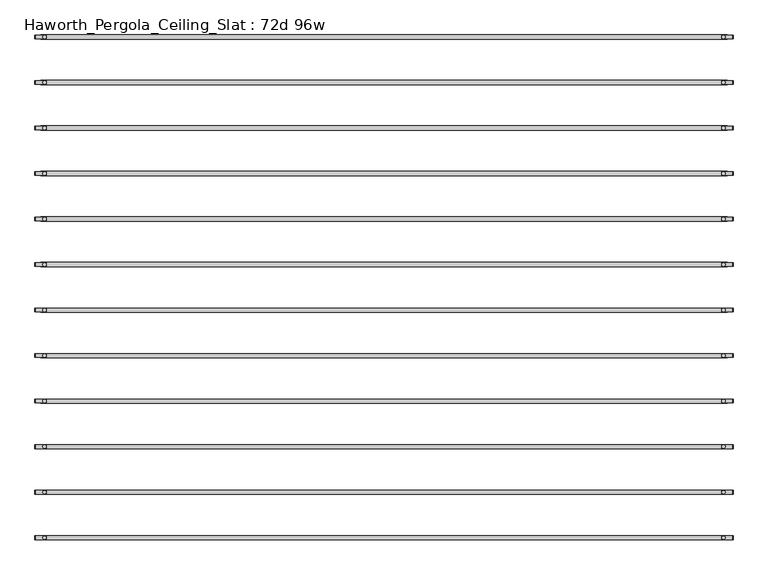
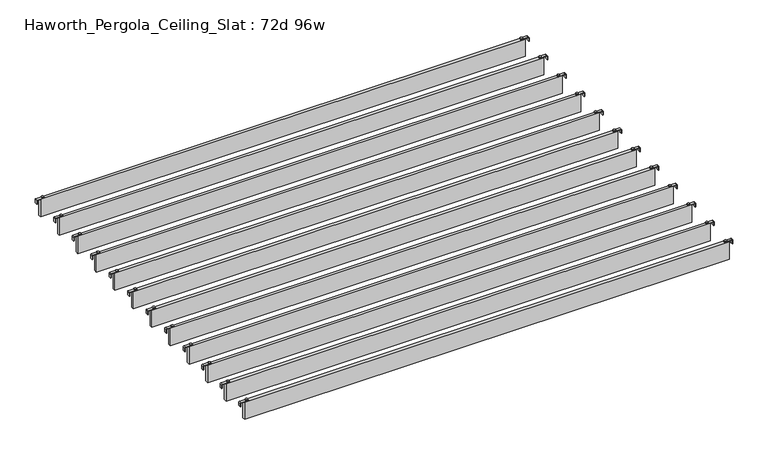
"""IFC4 building model written with IfcOpenShell, lengths in millimetres: furniture geometry, Haworth_Pergola_Ceiling_Slat : 72d 96w."""

from ifc_helpers import new_model, si_unit, point, frame, frame_2d, origin, place, context, project, spatial, polyline, circle_curve, trimmed, segment, composite_curve, outline, extrude, source, transform, mapped, element, save


def haworth_pergola_ceiling_slat_72d_96w_dfd35486(model_context):
    return source(origin(), model_context, "Body", "SweptSolid", [
        extrude(outline(composite_curve([segment(trimmed(circle_curve(frame_2d((1243.6, -611.3433636)), 5.9838099), [point((1237.6161901, -611.3433636))], [point((1249.5838099, -611.3433636))], False, "CARTESIAN"), True, "CONTINUOUS"), segment(trimmed(circle_curve(frame_2d((1243.6, -611.3433636)), 5.9838099), [point((1249.5838099, -611.3433636))], [point((1237.6161901, -611.3433636))], False, "CARTESIAN"), True, "CONTINUOUS")], self_intersect=False)), frame((0.0, 0.0, 2440.9329992), z_axis=(0.0, 0.0, 1.0), x_axis=(1.0, 0.0, 0.0)), (0.0, 0.0, 1.0), 3.4400008),
        extrude(outline(composite_curve([segment(trimmed(circle_curve(frame_2d((-1167.4, -611.3433636)), 5.9838099), [point((-1161.4161901, -611.3433636))], [point((-1173.3838099, -611.3433636))], False, "CARTESIAN"), True, "CONTINUOUS"), segment(trimmed(circle_curve(frame_2d((-1167.4, -611.3433636)), 5.9838099), [point((-1173.3838099, -611.3433636))], [point((-1161.4161901, -611.3433636))], False, "CARTESIAN"), True, "CONTINUOUS")], self_intersect=False)), frame((0.0, 0.0, 2440.9329992), z_axis=(0.0, 0.0, 1.0), x_axis=(1.0, 0.0, 0.0)), (0.0, 0.0, 1.0), 3.4400008),
        extrude(outline(composite_curve([segment(polyline([(2419.2231711, 1277.76), (2437.2499992, 1277.76)]), True, "CONTINUOUS"), segment(trimmed(circle_curve(frame_2d((2437.2499992, 1274.077)), 3.683), [point((2437.2499992, 1277.76))], [point((2440.9329992, 1274.077))], False, "CARTESIAN"), True, "CONTINUOUS"), segment(polyline([(2440.9329992, 1274.077), (2440.9329992, 1237.1), (2438.2729997, 1237.1), (2438.2729997, 1274.0905568)]), True, "CONTINUOUS"), segment(trimmed(circle_curve(frame_2d((2437.2635571, 1274.0905568)), 1.0094425), [point((2438.2729997, 1274.0905568))], [point((2437.2635571, 1275.0999993))], True, "CARTESIAN"), True, "CONTINUOUS"), segment(polyline([(2437.2635571, 1275.0999993), (2419.2231711, 1275.0999993), (2419.2231711, 1277.76)]), True, "CONTINUOUS")], self_intersect=False)), frame((0.0, -617.836364, 0.0), z_axis=(0.0, 1.0, 0.0), x_axis=(0.0, 0.0, 1.0)), (0.0, 0.0, 1.0), 13.0),
        extrude(outline(composite_curve([segment(polyline([(2419.2231711, -1201.56), (2419.2231711, -1198.8999993), (2437.2635571, -1198.8999993)]), True, "CONTINUOUS"), segment(trimmed(circle_curve(frame_2d((2437.2635571, -1197.8905568)), 1.0094425), [point((2437.2635571, -1198.8999993))], [point((2438.2729997, -1197.8905568))], True, "CARTESIAN"), True, "CONTINUOUS"), segment(polyline([(2438.2729997, -1197.8905568), (2438.2729997, -1160.9), (2440.9329992, -1160.9), (2440.9329992, -1197.877)]), True, "CONTINUOUS"), segment(trimmed(circle_curve(frame_2d((2437.2499992, -1197.877)), 3.683), [point((2440.9329992, -1197.877))], [point((2437.2499992, -1201.56))], False, "CARTESIAN"), True, "CONTINUOUS"), segment(polyline([(2437.2499992, -1201.56), (2419.2231711, -1201.56)]), True, "CONTINUOUS")], self_intersect=False)), frame((0.0, -617.836364, 0.0), z_axis=(0.0, 1.0, 0.0), x_axis=(0.0, 0.0, 1.0)), (0.0, 0.0, 1.0), 13.0),
        extrude(outline(polyline([(-1181.1, -618.8363636), (-1181.1, -603.8503636), (1257.3, -603.8503636), (1257.3, -618.8363636), (-1181.1, -618.8363636)])), frame((0.0, 0.0, 2346.198), z_axis=(0.0, 0.0, 1.0), x_axis=(1.0, 0.0, 0.0)), (0.0, 0.0, 1.0), 92.202),
        extrude(outline(composite_curve([segment(trimmed(circle_curve(frame_2d((1243.6, -772.9797273)), 5.9838099), [point((1237.6161901, -772.9797273))], [point((1249.5838099, -772.9797273))], False, "CARTESIAN"), True, "CONTINUOUS"), segment(trimmed(circle_curve(frame_2d((1243.6, -772.9797273)), 5.9838099), [point((1249.5838099, -772.9797273))], [point((1237.6161901, -772.9797273))], False, "CARTESIAN"), True, "CONTINUOUS")], self_intersect=False)), frame((0.0, 0.0, 2440.9329992), z_axis=(0.0, 0.0, 1.0), x_axis=(1.0, 0.0, 0.0)), (0.0, 0.0, 1.0), 3.4400008),
        extrude(outline(composite_curve([segment(trimmed(circle_curve(frame_2d((-1167.4, -772.9797273)), 5.9838099), [point((-1161.4161901, -772.9797273))], [point((-1173.3838099, -772.9797273))], False, "CARTESIAN"), True, "CONTINUOUS"), segment(trimmed(circle_curve(frame_2d((-1167.4, -772.9797273)), 5.9838099), [point((-1173.3838099, -772.9797273))], [point((-1161.4161901, -772.9797273))], False, "CARTESIAN"), True, "CONTINUOUS")], self_intersect=False)), frame((0.0, 0.0, 2440.9329992), z_axis=(0.0, 0.0, 1.0), x_axis=(1.0, 0.0, 0.0)), (0.0, 0.0, 1.0), 3.4400008),
        extrude(outline(composite_curve([segment(polyline([(2419.2231711, 1277.76), (2437.2499992, 1277.76)]), True, "CONTINUOUS"), segment(trimmed(circle_curve(frame_2d((2437.2499992, 1274.077)), 3.683), [point((2437.2499992, 1277.76))], [point((2440.9329992, 1274.077))], False, "CARTESIAN"), True, "CONTINUOUS"), segment(polyline([(2440.9329992, 1274.077), (2440.9329992, 1237.1), (2438.2729997, 1237.1), (2438.2729997, 1274.0905568)]), True, "CONTINUOUS"), segment(trimmed(circle_curve(frame_2d((2437.2635571, 1274.0905568)), 1.0094425), [point((2438.2729997, 1274.0905568))], [point((2437.2635571, 1275.0999993))], True, "CARTESIAN"), True, "CONTINUOUS"), segment(polyline([(2437.2635571, 1275.0999993), (2419.2231711, 1275.0999993), (2419.2231711, 1277.76)]), True, "CONTINUOUS")], self_intersect=False)), frame((0.0, -779.4727276, 0.0), z_axis=(0.0, 1.0, 0.0), x_axis=(0.0, 0.0, 1.0)), (0.0, 0.0, 1.0), 13.0),
        extrude(outline(composite_curve([segment(polyline([(2419.2231711, -1201.56), (2419.2231711, -1198.8999993), (2437.2635571, -1198.8999993)]), True, "CONTINUOUS"), segment(trimmed(circle_curve(frame_2d((2437.2635571, -1197.8905568)), 1.0094425), [point((2437.2635571, -1198.8999993))], [point((2438.2729997, -1197.8905568))], True, "CARTESIAN"), True, "CONTINUOUS"), segment(polyline([(2438.2729997, -1197.8905568), (2438.2729997, -1160.9), (2440.9329992, -1160.9), (2440.9329992, -1197.877)]), True, "CONTINUOUS"), segment(trimmed(circle_curve(frame_2d((2437.2499992, -1197.877)), 3.683), [point((2440.9329992, -1197.877))], [point((2437.2499992, -1201.56))], False, "CARTESIAN"), True, "CONTINUOUS"), segment(polyline([(2437.2499992, -1201.56), (2419.2231711, -1201.56)]), True, "CONTINUOUS")], self_intersect=False)), frame((0.0, -779.4727276, 0.0), z_axis=(0.0, 1.0, 0.0), x_axis=(0.0, 0.0, 1.0)), (0.0, 0.0, 1.0), 13.0),
        extrude(outline(polyline([(-1181.1, -780.4727273), (-1181.1, -765.4867273), (1257.3, -765.4867273), (1257.3, -780.4727273), (-1181.1, -780.4727273)])), frame((0.0, 0.0, 2346.198), z_axis=(0.0, 0.0, 1.0), x_axis=(1.0, 0.0, 0.0)), (0.0, 0.0, 1.0), 92.202),
        extrude(outline(composite_curve([segment(trimmed(circle_curve(frame_2d((1243.6, -934.6160909)), 5.9838099), [point((1237.6161901, -934.6160909))], [point((1249.5838099, -934.6160909))], False, "CARTESIAN"), True, "CONTINUOUS"), segment(trimmed(circle_curve(frame_2d((1243.6, -934.6160909)), 5.9838099), [point((1249.5838099, -934.6160909))], [point((1237.6161901, -934.6160909))], False, "CARTESIAN"), True, "CONTINUOUS")], self_intersect=False)), frame((0.0, 0.0, 2440.9329992), z_axis=(0.0, 0.0, 1.0), x_axis=(1.0, 0.0, 0.0)), (0.0, 0.0, 1.0), 3.4400008),
        extrude(outline(composite_curve([segment(trimmed(circle_curve(frame_2d((-1167.4, -934.6160909)), 5.9838099), [point((-1161.4161901, -934.6160909))], [point((-1173.3838099, -934.6160909))], False, "CARTESIAN"), True, "CONTINUOUS"), segment(trimmed(circle_curve(frame_2d((-1167.4, -934.6160909)), 5.9838099), [point((-1173.3838099, -934.6160909))], [point((-1161.4161901, -934.6160909))], False, "CARTESIAN"), True, "CONTINUOUS")], self_intersect=False)), frame((0.0, 0.0, 2440.9329992), z_axis=(0.0, 0.0, 1.0), x_axis=(1.0, 0.0, 0.0)), (0.0, 0.0, 1.0), 3.4400008),
        extrude(outline(composite_curve([segment(polyline([(2419.2231711, 1277.76), (2437.2499992, 1277.76)]), True, "CONTINUOUS"), segment(trimmed(circle_curve(frame_2d((2437.2499992, 1274.077)), 3.683), [point((2437.2499992, 1277.76))], [point((2440.9329992, 1274.077))], False, "CARTESIAN"), True, "CONTINUOUS"), segment(polyline([(2440.9329992, 1274.077), (2440.9329992, 1237.1), (2438.2729997, 1237.1), (2438.2729997, 1274.0905568)]), True, "CONTINUOUS"), segment(trimmed(circle_curve(frame_2d((2437.2635571, 1274.0905568)), 1.0094425), [point((2438.2729997, 1274.0905568))], [point((2437.2635571, 1275.0999993))], True, "CARTESIAN"), True, "CONTINUOUS"), segment(polyline([(2437.2635571, 1275.0999993), (2419.2231711, 1275.0999993), (2419.2231711, 1277.76)]), True, "CONTINUOUS")], self_intersect=False)), frame((0.0, -941.1090912, 0.0), z_axis=(0.0, 1.0, 0.0), x_axis=(0.0, 0.0, 1.0)), (0.0, 0.0, 1.0), 13.0),
        extrude(outline(composite_curve([segment(polyline([(2419.2231711, -1201.56), (2419.2231711, -1198.8999993), (2437.2635571, -1198.8999993)]), True, "CONTINUOUS"), segment(trimmed(circle_curve(frame_2d((2437.2635571, -1197.8905568)), 1.0094425), [point((2437.2635571, -1198.8999993))], [point((2438.2729997, -1197.8905568))], True, "CARTESIAN"), True, "CONTINUOUS"), segment(polyline([(2438.2729997, -1197.8905568), (2438.2729997, -1160.9), (2440.9329992, -1160.9), (2440.9329992, -1197.877)]), True, "CONTINUOUS"), segment(trimmed(circle_curve(frame_2d((2437.2499992, -1197.877)), 3.683), [point((2440.9329992, -1197.877))], [point((2437.2499992, -1201.56))], False, "CARTESIAN"), True, "CONTINUOUS"), segment(polyline([(2437.2499992, -1201.56), (2419.2231711, -1201.56)]), True, "CONTINUOUS")], self_intersect=False)), frame((0.0, -941.1090912, 0.0), z_axis=(0.0, 1.0, 0.0), x_axis=(0.0, 0.0, 1.0)), (0.0, 0.0, 1.0), 13.0),
        extrude(outline(polyline([(-1181.1, -942.1090909), (-1181.1, -927.1230909), (1257.3, -927.1230909), (1257.3, -942.1090909), (-1181.1, -942.1090909)])), frame((0.0, 0.0, 2346.198), z_axis=(0.0, 0.0, 1.0), x_axis=(1.0, 0.0, 0.0)), (0.0, 0.0, 1.0), 92.202),
        extrude(outline(composite_curve([segment(trimmed(circle_curve(frame_2d((1243.6, -1096.2524545)), 5.9838099), [point((1237.6161901, -1096.2524545))], [point((1249.5838099, -1096.2524545))], False, "CARTESIAN"), True, "CONTINUOUS"), segment(trimmed(circle_curve(frame_2d((1243.6, -1096.2524545)), 5.9838099), [point((1249.5838099, -1096.2524545))], [point((1237.6161901, -1096.2524545))], False, "CARTESIAN"), True, "CONTINUOUS")], self_intersect=False)), frame((0.0, 0.0, 2440.9329992), z_axis=(0.0, 0.0, 1.0), x_axis=(1.0, 0.0, 0.0)), (0.0, 0.0, 1.0), 3.4400008),
        extrude(outline(composite_curve([segment(trimmed(circle_curve(frame_2d((-1167.4, -1096.2524545)), 5.9838099), [point((-1161.4161901, -1096.2524545))], [point((-1173.3838099, -1096.2524545))], False, "CARTESIAN"), True, "CONTINUOUS"), segment(trimmed(circle_curve(frame_2d((-1167.4, -1096.2524545)), 5.9838099), [point((-1173.3838099, -1096.2524545))], [point((-1161.4161901, -1096.2524545))], False, "CARTESIAN"), True, "CONTINUOUS")], self_intersect=False)), frame((0.0, 0.0, 2440.9329992), z_axis=(0.0, 0.0, 1.0), x_axis=(1.0, 0.0, 0.0)), (0.0, 0.0, 1.0), 3.4400008),
        extrude(outline(composite_curve([segment(polyline([(2419.2231711, 1277.76), (2437.2499992, 1277.76)]), True, "CONTINUOUS"), segment(trimmed(circle_curve(frame_2d((2437.2499992, 1274.077)), 3.683), [point((2437.2499992, 1277.76))], [point((2440.9329992, 1274.077))], False, "CARTESIAN"), True, "CONTINUOUS"), segment(polyline([(2440.9329992, 1274.077), (2440.9329992, 1237.1), (2438.2729997, 1237.1), (2438.2729997, 1274.0905568)]), True, "CONTINUOUS"), segment(trimmed(circle_curve(frame_2d((2437.2635571, 1274.0905568)), 1.0094425), [point((2438.2729997, 1274.0905568))], [point((2437.2635571, 1275.0999993))], True, "CARTESIAN"), True, "CONTINUOUS"), segment(polyline([(2437.2635571, 1275.0999993), (2419.2231711, 1275.0999993), (2419.2231711, 1277.76)]), True, "CONTINUOUS")], self_intersect=False)), frame((0.0, -1102.7454549, 0.0), z_axis=(0.0, 1.0, 0.0), x_axis=(0.0, 0.0, 1.0)), (0.0, 0.0, 1.0), 13.0),
        extrude(outline(composite_curve([segment(polyline([(2419.2231711, -1201.56), (2419.2231711, -1198.8999993), (2437.2635571, -1198.8999993)]), True, "CONTINUOUS"), segment(trimmed(circle_curve(frame_2d((2437.2635571, -1197.8905568)), 1.0094425), [point((2437.2635571, -1198.8999993))], [point((2438.2729997, -1197.8905568))], True, "CARTESIAN"), True, "CONTINUOUS"), segment(polyline([(2438.2729997, -1197.8905568), (2438.2729997, -1160.9), (2440.9329992, -1160.9), (2440.9329992, -1197.877)]), True, "CONTINUOUS"), segment(trimmed(circle_curve(frame_2d((2437.2499992, -1197.877)), 3.683), [point((2440.9329992, -1197.877))], [point((2437.2499992, -1201.56))], False, "CARTESIAN"), True, "CONTINUOUS"), segment(polyline([(2437.2499992, -1201.56), (2419.2231711, -1201.56)]), True, "CONTINUOUS")], self_intersect=False)), frame((0.0, -1102.7454549, 0.0), z_axis=(0.0, 1.0, 0.0), x_axis=(0.0, 0.0, 1.0)), (0.0, 0.0, 1.0), 13.0),
        extrude(outline(polyline([(-1181.1, -1103.7454545), (-1181.1, -1088.7594545), (1257.3, -1088.7594545), (1257.3, -1103.7454545), (-1181.1, -1103.7454545)])), frame((0.0, 0.0, 2346.198), z_axis=(0.0, 0.0, 1.0), x_axis=(1.0, 0.0, 0.0)), (0.0, 0.0, 1.0), 92.202),
        extrude(outline(composite_curve([segment(trimmed(circle_curve(frame_2d((1243.6, -1257.8888182)), 5.9838099), [point((1237.6161901, -1257.8888182))], [point((1249.5838099, -1257.8888182))], False, "CARTESIAN"), True, "CONTINUOUS"), segment(trimmed(circle_curve(frame_2d((1243.6, -1257.8888182)), 5.9838099), [point((1249.5838099, -1257.8888182))], [point((1237.6161901, -1257.8888182))], False, "CARTESIAN"), True, "CONTINUOUS")], self_intersect=False)), frame((0.0, 0.0, 2440.9329992), z_axis=(0.0, 0.0, 1.0), x_axis=(1.0, 0.0, 0.0)), (0.0, 0.0, 1.0), 3.4400008),
        extrude(outline(composite_curve([segment(trimmed(circle_curve(frame_2d((-1167.4, -1257.8888182)), 5.9838099), [point((-1161.4161901, -1257.8888182))], [point((-1173.3838099, -1257.8888182))], False, "CARTESIAN"), True, "CONTINUOUS"), segment(trimmed(circle_curve(frame_2d((-1167.4, -1257.8888182)), 5.9838099), [point((-1173.3838099, -1257.8888182))], [point((-1161.4161901, -1257.8888182))], False, "CARTESIAN"), True, "CONTINUOUS")], self_intersect=False)), frame((0.0, 0.0, 2440.9329992), z_axis=(0.0, 0.0, 1.0), x_axis=(1.0, 0.0, 0.0)), (0.0, 0.0, 1.0), 3.4400008),
        extrude(outline(composite_curve([segment(polyline([(2419.2231711, 1277.76), (2437.2499992, 1277.76)]), True, "CONTINUOUS"), segment(trimmed(circle_curve(frame_2d((2437.2499992, 1274.077)), 3.683), [point((2437.2499992, 1277.76))], [point((2440.9329992, 1274.077))], False, "CARTESIAN"), True, "CONTINUOUS"), segment(polyline([(2440.9329992, 1274.077), (2440.9329992, 1237.1), (2438.2729997, 1237.1), (2438.2729997, 1274.0905568)]), True, "CONTINUOUS"), segment(trimmed(circle_curve(frame_2d((2437.2635571, 1274.0905568)), 1.0094425), [point((2438.2729997, 1274.0905568))], [point((2437.2635571, 1275.0999993))], True, "CARTESIAN"), True, "CONTINUOUS"), segment(polyline([(2437.2635571, 1275.0999993), (2419.2231711, 1275.0999993), (2419.2231711, 1277.76)]), True, "CONTINUOUS")], self_intersect=False)), frame((0.0, -1264.3818185, 0.0), z_axis=(0.0, 1.0, 0.0), x_axis=(0.0, 0.0, 1.0)), (0.0, 0.0, 1.0), 13.0),
        extrude(outline(composite_curve([segment(polyline([(2419.2231711, -1201.56), (2419.2231711, -1198.8999993), (2437.2635571, -1198.8999993)]), True, "CONTINUOUS"), segment(trimmed(circle_curve(frame_2d((2437.2635571, -1197.8905568)), 1.0094425), [point((2437.2635571, -1198.8999993))], [point((2438.2729997, -1197.8905568))], True, "CARTESIAN"), True, "CONTINUOUS"), segment(polyline([(2438.2729997, -1197.8905568), (2438.2729997, -1160.9), (2440.9329992, -1160.9), (2440.9329992, -1197.877)]), True, "CONTINUOUS"), segment(trimmed(circle_curve(frame_2d((2437.2499992, -1197.877)), 3.683), [point((2440.9329992, -1197.877))], [point((2437.2499992, -1201.56))], False, "CARTESIAN"), True, "CONTINUOUS"), segment(polyline([(2437.2499992, -1201.56), (2419.2231711, -1201.56)]), True, "CONTINUOUS")], self_intersect=False)), frame((0.0, -1264.3818185, 0.0), z_axis=(0.0, 1.0, 0.0), x_axis=(0.0, 0.0, 1.0)), (0.0, 0.0, 1.0), 13.0),
        extrude(outline(polyline([(-1181.1, -1265.3818182), (-1181.1, -1250.3958182), (1257.3, -1250.3958182), (1257.3, -1265.3818182), (-1181.1, -1265.3818182)])), frame((0.0, 0.0, 2346.198), z_axis=(0.0, 0.0, 1.0), x_axis=(1.0, 0.0, 0.0)), (0.0, 0.0, 1.0), 92.202),
        extrude(outline(composite_curve([segment(trimmed(circle_curve(frame_2d((1243.6, -1419.5251818)), 5.9838099), [point((1237.6161901, -1419.5251818))], [point((1249.5838099, -1419.5251818))], False, "CARTESIAN"), True, "CONTINUOUS"), segment(trimmed(circle_curve(frame_2d((1243.6, -1419.5251818)), 5.9838099), [point((1249.5838099, -1419.5251818))], [point((1237.6161901, -1419.5251818))], False, "CARTESIAN"), True, "CONTINUOUS")], self_intersect=False)), frame((0.0, 0.0, 2440.9329992), z_axis=(0.0, 0.0, 1.0), x_axis=(1.0, 0.0, 0.0)), (0.0, 0.0, 1.0), 3.4400008),
        extrude(outline(composite_curve([segment(trimmed(circle_curve(frame_2d((-1167.4, -1419.5251818)), 5.9838099), [point((-1161.4161901, -1419.5251818))], [point((-1173.3838099, -1419.5251818))], False, "CARTESIAN"), True, "CONTINUOUS"), segment(trimmed(circle_curve(frame_2d((-1167.4, -1419.5251818)), 5.9838099), [point((-1173.3838099, -1419.5251818))], [point((-1161.4161901, -1419.5251818))], False, "CARTESIAN"), True, "CONTINUOUS")], self_intersect=False)), frame((0.0, 0.0, 2440.9329992), z_axis=(0.0, 0.0, 1.0), x_axis=(1.0, 0.0, 0.0)), (0.0, 0.0, 1.0), 3.4400008),
        extrude(outline(composite_curve([segment(polyline([(2419.2231711, 1277.76), (2437.2499992, 1277.76)]), True, "CONTINUOUS"), segment(trimmed(circle_curve(frame_2d((2437.2499992, 1274.077)), 3.683), [point((2437.2499992, 1277.76))], [point((2440.9329992, 1274.077))], False, "CARTESIAN"), True, "CONTINUOUS"), segment(polyline([(2440.9329992, 1274.077), (2440.9329992, 1237.1), (2438.2729997, 1237.1), (2438.2729997, 1274.0905568)]), True, "CONTINUOUS"), segment(trimmed(circle_curve(frame_2d((2437.2635571, 1274.0905568)), 1.0094425), [point((2438.2729997, 1274.0905568))], [point((2437.2635571, 1275.0999993))], True, "CARTESIAN"), True, "CONTINUOUS"), segment(polyline([(2437.2635571, 1275.0999993), (2419.2231711, 1275.0999993), (2419.2231711, 1277.76)]), True, "CONTINUOUS")], self_intersect=False)), frame((0.0, -1426.0181822, 0.0), z_axis=(0.0, 1.0, 0.0), x_axis=(0.0, 0.0, 1.0)), (0.0, 0.0, 1.0), 13.0),
        extrude(outline(composite_curve([segment(polyline([(2419.2231711, -1201.56), (2419.2231711, -1198.8999993), (2437.2635571, -1198.8999993)]), True, "CONTINUOUS"), segment(trimmed(circle_curve(frame_2d((2437.2635571, -1197.8905568)), 1.0094425), [point((2437.2635571, -1198.8999993))], [point((2438.2729997, -1197.8905568))], True, "CARTESIAN"), True, "CONTINUOUS"), segment(polyline([(2438.2729997, -1197.8905568), (2438.2729997, -1160.9), (2440.9329992, -1160.9), (2440.9329992, -1197.877)]), True, "CONTINUOUS"), segment(trimmed(circle_curve(frame_2d((2437.2499992, -1197.877)), 3.683), [point((2440.9329992, -1197.877))], [point((2437.2499992, -1201.56))], False, "CARTESIAN"), True, "CONTINUOUS"), segment(polyline([(2437.2499992, -1201.56), (2419.2231711, -1201.56)]), True, "CONTINUOUS")], self_intersect=False)), frame((0.0, -1426.0181822, 0.0), z_axis=(0.0, 1.0, 0.0), x_axis=(0.0, 0.0, 1.0)), (0.0, 0.0, 1.0), 13.0),
        extrude(outline(polyline([(-1181.1, -1427.0181818), (-1181.1, -1412.0321818), (1257.3, -1412.0321818), (1257.3, -1427.0181818), (-1181.1, -1427.0181818)])), frame((0.0, 0.0, 2346.198), z_axis=(0.0, 0.0, 1.0), x_axis=(1.0, 0.0, 0.0)), (0.0, 0.0, 1.0), 92.202),
        extrude(outline(composite_curve([segment(trimmed(circle_curve(frame_2d((1243.6, -1581.1615455)), 5.9838099), [point((1237.6161901, -1581.1615455))], [point((1249.5838099, -1581.1615455))], False, "CARTESIAN"), True, "CONTINUOUS"), segment(trimmed(circle_curve(frame_2d((1243.6, -1581.1615455)), 5.9838099), [point((1249.5838099, -1581.1615455))], [point((1237.6161901, -1581.1615455))], False, "CARTESIAN"), True, "CONTINUOUS")], self_intersect=False)), frame((0.0, 0.0, 2440.9329992), z_axis=(0.0, 0.0, 1.0), x_axis=(1.0, 0.0, 0.0)), (0.0, 0.0, 1.0), 3.4400008),
        extrude(outline(composite_curve([segment(trimmed(circle_curve(frame_2d((-1167.4, -1581.1615455)), 5.9838099), [point((-1161.4161901, -1581.1615455))], [point((-1173.3838099, -1581.1615455))], False, "CARTESIAN"), True, "CONTINUOUS"), segment(trimmed(circle_curve(frame_2d((-1167.4, -1581.1615455)), 5.9838099), [point((-1173.3838099, -1581.1615455))], [point((-1161.4161901, -1581.1615455))], False, "CARTESIAN"), True, "CONTINUOUS")], self_intersect=False)), frame((0.0, 0.0, 2440.9329992), z_axis=(0.0, 0.0, 1.0), x_axis=(1.0, 0.0, 0.0)), (0.0, 0.0, 1.0), 3.4400008),
        extrude(outline(composite_curve([segment(polyline([(2419.2231711, 1277.76), (2437.2499992, 1277.76)]), True, "CONTINUOUS"), segment(trimmed(circle_curve(frame_2d((2437.2499992, 1274.077)), 3.683), [point((2437.2499992, 1277.76))], [point((2440.9329992, 1274.077))], False, "CARTESIAN"), True, "CONTINUOUS"), segment(polyline([(2440.9329992, 1274.077), (2440.9329992, 1237.1), (2438.2729997, 1237.1), (2438.2729997, 1274.0905568)]), True, "CONTINUOUS"), segment(trimmed(circle_curve(frame_2d((2437.2635571, 1274.0905568)), 1.0094425), [point((2438.2729997, 1274.0905568))], [point((2437.2635571, 1275.0999993))], True, "CARTESIAN"), True, "CONTINUOUS"), segment(polyline([(2437.2635571, 1275.0999993), (2419.2231711, 1275.0999993), (2419.2231711, 1277.76)]), True, "CONTINUOUS")], self_intersect=False)), frame((0.0, -1587.6545458, 0.0), z_axis=(0.0, 1.0, 0.0), x_axis=(0.0, 0.0, 1.0)), (0.0, 0.0, 1.0), 13.0),
        extrude(outline(composite_curve([segment(polyline([(2419.2231711, -1201.56), (2419.2231711, -1198.8999993), (2437.2635571, -1198.8999993)]), True, "CONTINUOUS"), segment(trimmed(circle_curve(frame_2d((2437.2635571, -1197.8905568)), 1.0094425), [point((2437.2635571, -1198.8999993))], [point((2438.2729997, -1197.8905568))], True, "CARTESIAN"), True, "CONTINUOUS"), segment(polyline([(2438.2729997, -1197.8905568), (2438.2729997, -1160.9), (2440.9329992, -1160.9), (2440.9329992, -1197.877)]), True, "CONTINUOUS"), segment(trimmed(circle_curve(frame_2d((2437.2499992, -1197.877)), 3.683), [point((2440.9329992, -1197.877))], [point((2437.2499992, -1201.56))], False, "CARTESIAN"), True, "CONTINUOUS"), segment(polyline([(2437.2499992, -1201.56), (2419.2231711, -1201.56)]), True, "CONTINUOUS")], self_intersect=False)), frame((0.0, -1587.6545458, 0.0), z_axis=(0.0, 1.0, 0.0), x_axis=(0.0, 0.0, 1.0)), (0.0, 0.0, 1.0), 13.0),
        extrude(outline(polyline([(-1181.1, -1588.6545455), (-1181.1, -1573.6685455), (1257.3, -1573.6685455), (1257.3, -1588.6545455), (-1181.1, -1588.6545455)])), frame((0.0, 0.0, 2346.198), z_axis=(0.0, 0.0, 1.0), x_axis=(1.0, 0.0, 0.0)), (0.0, 0.0, 1.0), 92.202),
        extrude(outline(composite_curve([segment(trimmed(circle_curve(frame_2d((1243.6, -1742.7979091)), 5.9838099), [point((1237.6161901, -1742.7979091))], [point((1249.5838099, -1742.7979091))], False, "CARTESIAN"), True, "CONTINUOUS"), segment(trimmed(circle_curve(frame_2d((1243.6, -1742.7979091)), 5.9838099), [point((1249.5838099, -1742.7979091))], [point((1237.6161901, -1742.7979091))], False, "CARTESIAN"), True, "CONTINUOUS")], self_intersect=False)), frame((0.0, 0.0, 2440.9329992), z_axis=(0.0, 0.0, 1.0), x_axis=(1.0, 0.0, 0.0)), (0.0, 0.0, 1.0), 3.4400008),
        extrude(outline(composite_curve([segment(trimmed(circle_curve(frame_2d((-1167.4, -1742.7979091)), 5.9838099), [point((-1161.4161901, -1742.7979091))], [point((-1173.3838099, -1742.7979091))], False, "CARTESIAN"), True, "CONTINUOUS"), segment(trimmed(circle_curve(frame_2d((-1167.4, -1742.7979091)), 5.9838099), [point((-1173.3838099, -1742.7979091))], [point((-1161.4161901, -1742.7979091))], False, "CARTESIAN"), True, "CONTINUOUS")], self_intersect=False)), frame((0.0, 0.0, 2440.9329992), z_axis=(0.0, 0.0, 1.0), x_axis=(1.0, 0.0, 0.0)), (0.0, 0.0, 1.0), 3.4400008),
        extrude(outline(composite_curve([segment(polyline([(2419.2231711, 1277.76), (2437.2499992, 1277.76)]), True, "CONTINUOUS"), segment(trimmed(circle_curve(frame_2d((2437.2499992, 1274.077)), 3.683), [point((2437.2499992, 1277.76))], [point((2440.9329992, 1274.077))], False, "CARTESIAN"), True, "CONTINUOUS"), segment(polyline([(2440.9329992, 1274.077), (2440.9329992, 1237.1), (2438.2729997, 1237.1), (2438.2729997, 1274.0905568)]), True, "CONTINUOUS"), segment(trimmed(circle_curve(frame_2d((2437.2635571, 1274.0905568)), 1.0094425), [point((2438.2729997, 1274.0905568))], [point((2437.2635571, 1275.0999993))], True, "CARTESIAN"), True, "CONTINUOUS"), segment(polyline([(2437.2635571, 1275.0999993), (2419.2231711, 1275.0999993), (2419.2231711, 1277.76)]), True, "CONTINUOUS")], self_intersect=False)), frame((0.0, -1749.2909094, 0.0), z_axis=(0.0, 1.0, 0.0), x_axis=(0.0, 0.0, 1.0)), (0.0, 0.0, 1.0), 13.0),
        extrude(outline(composite_curve([segment(polyline([(2419.2231711, -1201.56), (2419.2231711, -1198.8999993), (2437.2635571, -1198.8999993)]), True, "CONTINUOUS"), segment(trimmed(circle_curve(frame_2d((2437.2635571, -1197.8905568)), 1.0094425), [point((2437.2635571, -1198.8999993))], [point((2438.2729997, -1197.8905568))], True, "CARTESIAN"), True, "CONTINUOUS"), segment(polyline([(2438.2729997, -1197.8905568), (2438.2729997, -1160.9), (2440.9329992, -1160.9), (2440.9329992, -1197.877)]), True, "CONTINUOUS"), segment(trimmed(circle_curve(frame_2d((2437.2499992, -1197.877)), 3.683), [point((2440.9329992, -1197.877))], [point((2437.2499992, -1201.56))], False, "CARTESIAN"), True, "CONTINUOUS"), segment(polyline([(2437.2499992, -1201.56), (2419.2231711, -1201.56)]), True, "CONTINUOUS")], self_intersect=False)), frame((0.0, -1749.2909094, 0.0), z_axis=(0.0, 1.0, 0.0), x_axis=(0.0, 0.0, 1.0)), (0.0, 0.0, 1.0), 13.0),
        extrude(outline(polyline([(-1181.1, -1750.2909091), (-1181.1, -1735.3049091), (1257.3, -1735.3049091), (1257.3, -1750.2909091), (-1181.1, -1750.2909091)])), frame((0.0, 0.0, 2346.198), z_axis=(0.0, 0.0, 1.0), x_axis=(1.0, 0.0, 0.0)), (0.0, 0.0, 1.0), 92.202),
        extrude(outline(composite_curve([segment(trimmed(circle_curve(frame_2d((1243.6, -1904.4342727)), 5.9838099), [point((1237.6161901, -1904.4342727))], [point((1249.5838099, -1904.4342727))], False, "CARTESIAN"), True, "CONTINUOUS"), segment(trimmed(circle_curve(frame_2d((1243.6, -1904.4342727)), 5.9838099), [point((1249.5838099, -1904.4342727))], [point((1237.6161901, -1904.4342727))], False, "CARTESIAN"), True, "CONTINUOUS")], self_intersect=False)), frame((0.0, 0.0, 2440.9329992), z_axis=(0.0, 0.0, 1.0), x_axis=(1.0, 0.0, 0.0)), (0.0, 0.0, 1.0), 3.4400008),
        extrude(outline(composite_curve([segment(trimmed(circle_curve(frame_2d((-1167.4, -1904.4342727)), 5.9838099), [point((-1161.4161901, -1904.4342727))], [point((-1173.3838099, -1904.4342727))], False, "CARTESIAN"), True, "CONTINUOUS"), segment(trimmed(circle_curve(frame_2d((-1167.4, -1904.4342727)), 5.9838099), [point((-1173.3838099, -1904.4342727))], [point((-1161.4161901, -1904.4342727))], False, "CARTESIAN"), True, "CONTINUOUS")], self_intersect=False)), frame((0.0, 0.0, 2440.9329992), z_axis=(0.0, 0.0, 1.0), x_axis=(1.0, 0.0, 0.0)), (0.0, 0.0, 1.0), 3.4400008),
        extrude(outline(composite_curve([segment(polyline([(2419.2231711, 1277.76), (2437.2499992, 1277.76)]), True, "CONTINUOUS"), segment(trimmed(circle_curve(frame_2d((2437.2499992, 1274.077)), 3.683), [point((2437.2499992, 1277.76))], [point((2440.9329992, 1274.077))], False, "CARTESIAN"), True, "CONTINUOUS"), segment(polyline([(2440.9329992, 1274.077), (2440.9329992, 1237.1), (2438.2729997, 1237.1), (2438.2729997, 1274.0905568)]), True, "CONTINUOUS"), segment(trimmed(circle_curve(frame_2d((2437.2635571, 1274.0905568)), 1.0094425), [point((2438.2729997, 1274.0905568))], [point((2437.2635571, 1275.0999993))], True, "CARTESIAN"), True, "CONTINUOUS"), segment(polyline([(2437.2635571, 1275.0999993), (2419.2231711, 1275.0999993), (2419.2231711, 1277.76)]), True, "CONTINUOUS")], self_intersect=False)), frame((0.0, -1910.9272731, 0.0), z_axis=(0.0, 1.0, 0.0), x_axis=(0.0, 0.0, 1.0)), (0.0, 0.0, 1.0), 13.0),
        extrude(outline(composite_curve([segment(polyline([(2419.2231711, -1201.56), (2419.2231711, -1198.8999993), (2437.2635571, -1198.8999993)]), True, "CONTINUOUS"), segment(trimmed(circle_curve(frame_2d((2437.2635571, -1197.8905568)), 1.0094425), [point((2437.2635571, -1198.8999993))], [point((2438.2729997, -1197.8905568))], True, "CARTESIAN"), True, "CONTINUOUS"), segment(polyline([(2438.2729997, -1197.8905568), (2438.2729997, -1160.9), (2440.9329992, -1160.9), (2440.9329992, -1197.877)]), True, "CONTINUOUS"), segment(trimmed(circle_curve(frame_2d((2437.2499992, -1197.877)), 3.683), [point((2440.9329992, -1197.877))], [point((2437.2499992, -1201.56))], False, "CARTESIAN"), True, "CONTINUOUS"), segment(polyline([(2437.2499992, -1201.56), (2419.2231711, -1201.56)]), True, "CONTINUOUS")], self_intersect=False)), frame((0.0, -1910.9272731, 0.0), z_axis=(0.0, 1.0, 0.0), x_axis=(0.0, 0.0, 1.0)), (0.0, 0.0, 1.0), 13.0),
        extrude(outline(polyline([(-1181.1, -1911.9272727), (-1181.1, -1896.9412727), (1257.3, -1896.9412727), (1257.3, -1911.9272727), (-1181.1, -1911.9272727)])), frame((0.0, 0.0, 2346.198), z_axis=(0.0, 0.0, 1.0), x_axis=(1.0, 0.0, 0.0)), (0.0, 0.0, 1.0), 92.202),
        extrude(outline(composite_curve([segment(trimmed(circle_curve(frame_2d((1243.6, -2066.0706364)), 5.9838099), [point((1237.6161901, -2066.0706364))], [point((1249.5838099, -2066.0706364))], False, "CARTESIAN"), True, "CONTINUOUS"), segment(trimmed(circle_curve(frame_2d((1243.6, -2066.0706364)), 5.9838099), [point((1249.5838099, -2066.0706364))], [point((1237.6161901, -2066.0706364))], False, "CARTESIAN"), True, "CONTINUOUS")], self_intersect=False)), frame((0.0, 0.0, 2440.9329992), z_axis=(0.0, 0.0, 1.0), x_axis=(1.0, 0.0, 0.0)), (0.0, 0.0, 1.0), 3.4400008),
        extrude(outline(composite_curve([segment(trimmed(circle_curve(frame_2d((-1167.4, -2066.0706364)), 5.9838099), [point((-1161.4161901, -2066.0706364))], [point((-1173.3838099, -2066.0706364))], False, "CARTESIAN"), True, "CONTINUOUS"), segment(trimmed(circle_curve(frame_2d((-1167.4, -2066.0706364)), 5.9838099), [point((-1173.3838099, -2066.0706364))], [point((-1161.4161901, -2066.0706364))], False, "CARTESIAN"), True, "CONTINUOUS")], self_intersect=False)), frame((0.0, 0.0, 2440.9329992), z_axis=(0.0, 0.0, 1.0), x_axis=(1.0, 0.0, 0.0)), (0.0, 0.0, 1.0), 3.4400008),
        extrude(outline(composite_curve([segment(polyline([(2419.2231711, 1277.76), (2437.2499992, 1277.76)]), True, "CONTINUOUS"), segment(trimmed(circle_curve(frame_2d((2437.2499992, 1274.077)), 3.683), [point((2437.2499992, 1277.76))], [point((2440.9329992, 1274.077))], False, "CARTESIAN"), True, "CONTINUOUS"), segment(polyline([(2440.9329992, 1274.077), (2440.9329992, 1237.1), (2438.2729997, 1237.1), (2438.2729997, 1274.0905568)]), True, "CONTINUOUS"), segment(trimmed(circle_curve(frame_2d((2437.2635571, 1274.0905568)), 1.0094425), [point((2438.2729997, 1274.0905568))], [point((2437.2635571, 1275.0999993))], True, "CARTESIAN"), True, "CONTINUOUS"), segment(polyline([(2437.2635571, 1275.0999993), (2419.2231711, 1275.0999993), (2419.2231711, 1277.76)]), True, "CONTINUOUS")], self_intersect=False)), frame((0.0, -2072.5636367, 0.0), z_axis=(0.0, 1.0, 0.0), x_axis=(0.0, 0.0, 1.0)), (0.0, 0.0, 1.0), 13.0),
        extrude(outline(composite_curve([segment(polyline([(2419.2231711, -1201.56), (2419.2231711, -1198.8999993), (2437.2635571, -1198.8999993)]), True, "CONTINUOUS"), segment(trimmed(circle_curve(frame_2d((2437.2635571, -1197.8905568)), 1.0094425), [point((2437.2635571, -1198.8999993))], [point((2438.2729997, -1197.8905568))], True, "CARTESIAN"), True, "CONTINUOUS"), segment(polyline([(2438.2729997, -1197.8905568), (2438.2729997, -1160.9), (2440.9329992, -1160.9), (2440.9329992, -1197.877)]), True, "CONTINUOUS"), segment(trimmed(circle_curve(frame_2d((2437.2499992, -1197.877)), 3.683), [point((2440.9329992, -1197.877))], [point((2437.2499992, -1201.56))], False, "CARTESIAN"), True, "CONTINUOUS"), segment(polyline([(2437.2499992, -1201.56), (2419.2231711, -1201.56)]), True, "CONTINUOUS")], self_intersect=False)), frame((0.0, -2072.5636367, 0.0), z_axis=(0.0, 1.0, 0.0), x_axis=(0.0, 0.0, 1.0)), (0.0, 0.0, 1.0), 13.0),
        extrude(outline(polyline([(-1181.1, -2073.5636364), (-1181.1, -2058.5776364), (1257.3, -2058.5776364), (1257.3, -2073.5636364), (-1181.1, -2073.5636364)])), frame((0.0, 0.0, 2346.198), z_axis=(0.0, 0.0, 1.0), x_axis=(1.0, 0.0, 0.0)), (0.0, 0.0, 1.0), 92.202),
        extrude(outline(composite_curve([segment(trimmed(circle_curve(frame_2d((1243.6, -449.707)), 5.9838099), [point((1237.6161901, -449.707))], [point((1249.5838099, -449.707))], False, "CARTESIAN"), True, "CONTINUOUS"), segment(trimmed(circle_curve(frame_2d((1243.6, -449.707)), 5.9838099), [point((1249.5838099, -449.707))], [point((1237.6161901, -449.707))], False, "CARTESIAN"), True, "CONTINUOUS")], self_intersect=False)), frame((0.0, 0.0, 2440.9329992), z_axis=(0.0, 0.0, 1.0), x_axis=(1.0, 0.0, 0.0)), (0.0, 0.0, 1.0), 3.4400008),
        extrude(outline(composite_curve([segment(trimmed(circle_curve(frame_2d((-1167.4, -449.707)), 5.9838099), [point((-1161.4161901, -449.707))], [point((-1173.3838099, -449.707))], False, "CARTESIAN"), True, "CONTINUOUS"), segment(trimmed(circle_curve(frame_2d((-1167.4, -449.707)), 5.9838099), [point((-1173.3838099, -449.707))], [point((-1161.4161901, -449.707))], False, "CARTESIAN"), True, "CONTINUOUS")], self_intersect=False)), frame((0.0, 0.0, 2440.9329992), z_axis=(0.0, 0.0, 1.0), x_axis=(1.0, 0.0, 0.0)), (0.0, 0.0, 1.0), 3.4400008),
        extrude(outline(composite_curve([segment(polyline([(2419.2231711, 1277.76), (2437.2499992, 1277.76)]), True, "CONTINUOUS"), segment(trimmed(circle_curve(frame_2d((2437.2499992, 1274.077)), 3.683), [point((2437.2499992, 1277.76))], [point((2440.9329992, 1274.077))], False, "CARTESIAN"), True, "CONTINUOUS"), segment(polyline([(2440.9329992, 1274.077), (2440.9329992, 1237.1), (2438.2729997, 1237.1), (2438.2729997, 1274.0905568)]), True, "CONTINUOUS"), segment(trimmed(circle_curve(frame_2d((2437.2635571, 1274.0905568)), 1.0094425), [point((2438.2729997, 1274.0905568))], [point((2437.2635571, 1275.0999993))], True, "CARTESIAN"), True, "CONTINUOUS"), segment(polyline([(2437.2635571, 1275.0999993), (2419.2231711, 1275.0999993), (2419.2231711, 1277.76)]), True, "CONTINUOUS")], self_intersect=False)), frame((0.0, -456.2000003, 0.0), z_axis=(0.0, 1.0, 0.0), x_axis=(0.0, 0.0, 1.0)), (0.0, 0.0, 1.0), 13.0),
        extrude(outline(composite_curve([segment(polyline([(2419.2231711, -1201.56), (2419.2231711, -1198.8999993), (2437.2635571, -1198.8999993)]), True, "CONTINUOUS"), segment(trimmed(circle_curve(frame_2d((2437.2635571, -1197.8905568)), 1.0094425), [point((2437.2635571, -1198.8999993))], [point((2438.2729997, -1197.8905568))], True, "CARTESIAN"), True, "CONTINUOUS"), segment(polyline([(2438.2729997, -1197.8905568), (2438.2729997, -1160.9), (2440.9329992, -1160.9), (2440.9329992, -1197.877)]), True, "CONTINUOUS"), segment(trimmed(circle_curve(frame_2d((2437.2499992, -1197.877)), 3.683), [point((2440.9329992, -1197.877))], [point((2437.2499992, -1201.56))], False, "CARTESIAN"), True, "CONTINUOUS"), segment(polyline([(2437.2499992, -1201.56), (2419.2231711, -1201.56)]), True, "CONTINUOUS")], self_intersect=False)), frame((0.0, -456.2000003, 0.0), z_axis=(0.0, 1.0, 0.0), x_axis=(0.0, 0.0, 1.0)), (0.0, 0.0, 1.0), 13.0),
        extrude(outline(polyline([(-1181.1, -457.2), (-1181.1, -442.214), (1257.3, -442.214), (1257.3, -457.2), (-1181.1, -457.2)])), frame((0.0, 0.0, 2346.198), z_axis=(0.0, 0.0, 1.0), x_axis=(1.0, 0.0, 0.0)), (0.0, 0.0, 1.0), 92.202),
        extrude(outline(composite_curve([segment(trimmed(circle_curve(frame_2d((1243.6, -2227.707)), 5.9838099), [point((1237.6161901, -2227.707))], [point((1249.5838099, -2227.707))], False, "CARTESIAN"), True, "CONTINUOUS"), segment(trimmed(circle_curve(frame_2d((1243.6, -2227.707)), 5.9838099), [point((1249.5838099, -2227.707))], [point((1237.6161901, -2227.707))], False, "CARTESIAN"), True, "CONTINUOUS")], self_intersect=False)), frame((0.0, 0.0, 2440.9329992), z_axis=(0.0, 0.0, 1.0), x_axis=(1.0, 0.0, 0.0)), (0.0, 0.0, 1.0), 3.4400008),
        extrude(outline(composite_curve([segment(trimmed(circle_curve(frame_2d((-1167.4, -2227.707)), 5.9838099), [point((-1161.4161901, -2227.707))], [point((-1173.3838099, -2227.707))], False, "CARTESIAN"), True, "CONTINUOUS"), segment(trimmed(circle_curve(frame_2d((-1167.4, -2227.707)), 5.9838099), [point((-1173.3838099, -2227.707))], [point((-1161.4161901, -2227.707))], False, "CARTESIAN"), True, "CONTINUOUS")], self_intersect=False)), frame((0.0, 0.0, 2440.9329992), z_axis=(0.0, 0.0, 1.0), x_axis=(1.0, 0.0, 0.0)), (0.0, 0.0, 1.0), 3.4400008),
        extrude(outline(composite_curve([segment(polyline([(2419.2231711, 1277.76), (2437.2499992, 1277.76)]), True, "CONTINUOUS"), segment(trimmed(circle_curve(frame_2d((2437.2499992, 1274.077)), 3.683), [point((2437.2499992, 1277.76))], [point((2440.9329992, 1274.077))], False, "CARTESIAN"), True, "CONTINUOUS"), segment(polyline([(2440.9329992, 1274.077), (2440.9329992, 1237.1), (2438.2729997, 1237.1), (2438.2729997, 1274.0905568)]), True, "CONTINUOUS"), segment(trimmed(circle_curve(frame_2d((2437.2635571, 1274.0905568)), 1.0094425), [point((2438.2729997, 1274.0905568))], [point((2437.2635571, 1275.0999993))], True, "CARTESIAN"), True, "CONTINUOUS"), segment(polyline([(2437.2635571, 1275.0999993), (2419.2231711, 1275.0999993), (2419.2231711, 1277.76)]), True, "CONTINUOUS")], self_intersect=False)), frame((0.0, -2234.2000003, 0.0), z_axis=(0.0, 1.0, 0.0), x_axis=(0.0, 0.0, 1.0)), (0.0, 0.0, 1.0), 13.0),
        extrude(outline(composite_curve([segment(polyline([(2419.2231711, -1201.56), (2419.2231711, -1198.8999993), (2437.2635571, -1198.8999993)]), True, "CONTINUOUS"), segment(trimmed(circle_curve(frame_2d((2437.2635571, -1197.8905568)), 1.0094425), [point((2437.2635571, -1198.8999993))], [point((2438.2729997, -1197.8905568))], True, "CARTESIAN"), True, "CONTINUOUS"), segment(polyline([(2438.2729997, -1197.8905568), (2438.2729997, -1160.9), (2440.9329992, -1160.9), (2440.9329992, -1197.877)]), True, "CONTINUOUS"), segment(trimmed(circle_curve(frame_2d((2437.2499992, -1197.877)), 3.683), [point((2440.9329992, -1197.877))], [point((2437.2499992, -1201.56))], False, "CARTESIAN"), True, "CONTINUOUS"), segment(polyline([(2437.2499992, -1201.56), (2419.2231711, -1201.56)]), True, "CONTINUOUS")], self_intersect=False)), frame((0.0, -2234.2000003, 0.0), z_axis=(0.0, 1.0, 0.0), x_axis=(0.0, 0.0, 1.0)), (0.0, 0.0, 1.0), 13.0),
        extrude(outline(polyline([(-1181.1, -2235.2), (-1181.1, -2220.214), (1257.3, -2220.214), (1257.3, -2235.2), (-1181.1, -2235.2)])), frame((0.0, 0.0, 2346.198), z_axis=(0.0, 0.0, 1.0), x_axis=(1.0, 0.0, 0.0)), (0.0, 0.0, 1.0), 92.202),
    ])


if __name__ == "__main__":
    model = new_model("IFC4")
    model_context = context("Model", 3, world=origin())
    ifc_project = project(units=[si_unit("LENGTHUNIT", "METRE", prefix="MILLI")], contexts=[model_context])
    site = spatial("IfcSite", under=ifc_project)
    building = spatial("IfcBuilding", under=site)
    placement = place(None, origin())
    haworth_pergola_ceiling_slat_72d_96w_shape = haworth_pergola_ceiling_slat_72d_96w_dfd35486(model_context)
    element("IfcFurniture", 1, ObjectType="Haworth_Pergola_Ceiling_Slat : 72d 96w", at=placement, inside=building, context=model_context, shape_type="MappedRepresentation", body=[
        mapped(haworth_pergola_ceiling_slat_72d_96w_shape, transform((0.0, 0.0, 0.0), x_axis=(1.0, 0.0, 0.0), y_axis=(0.0, 1.0, 0.0), z_axis=(0.0, 0.0, 1.0))),
    ])
    save(model, "model.ifc")
